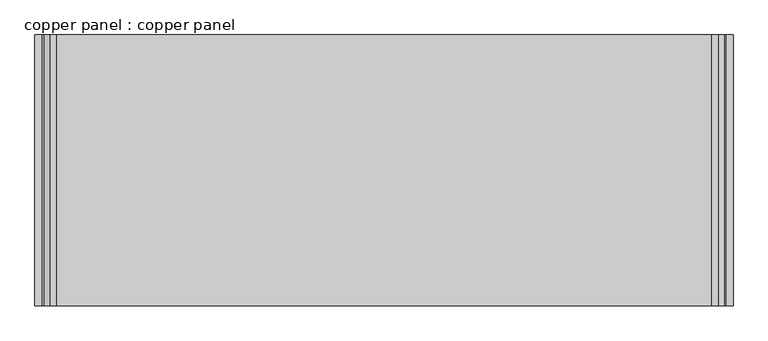
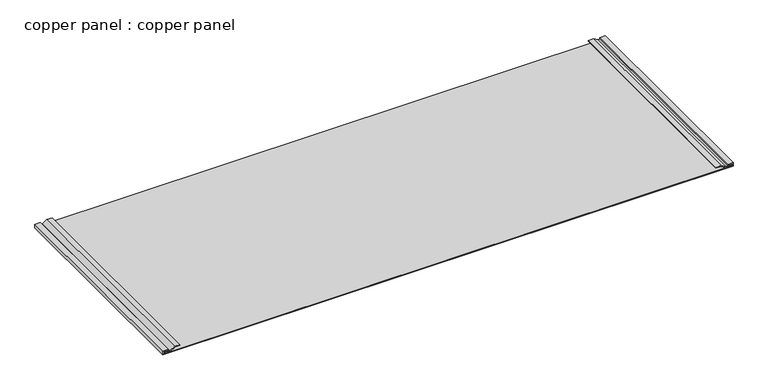
"""IFC4 building model written with IfcOpenShell, lengths in millimetres: proxy geometry, copper panel : copper panel."""

from ifc_helpers import new_model, si_unit, frame, origin, place, context, project, spatial, polyline, outline, extrude, source, transform, mapped, element, save


def copper_panel_copper_panel_3f1704b4(model_context):
    return source(origin(), model_context, "Body", "SweptSolid", [
        extrude(outline(polyline([(2561.3724609, 37097.8085937), (2561.3724609, 39453.9460426), (2576.846582, 39453.9460426), (2576.846582, 39430.8874112), (2572.7629258, 39430.8874112), (2572.7629258, 39449.9929176), (2565.3255859, 39449.9929176), (2565.3255859, 37101.7617187), (2572.7629258, 37101.7617187), (2572.7629258, 37120.8672252), (2576.846582, 37120.8672252), (2576.846582, 37097.8085937), (2561.3724609, 37097.8085937)])), frame((0.0, -25196.3529946, 0.0), z_axis=(0.0, 1.0, 0.0), x_axis=(0.0, 0.0, 1.0)), (0.0, 0.0, 1.0), 914.4),
        extrude(outline(polyline([(2566.3494258, 37105.380766), (2566.3494258, 37128.8700508), (2577.8136722, 37148.7267082), (2577.8136722, 37169.0604326), (2581.275, 37169.0604326), (2581.275, 37147.402881), (2569.5879258, 37127.1602748), (2569.5879258, 37105.380766), (2566.3494258, 37105.380766)])), frame((0.0, -25196.3529946, 0.0), z_axis=(0.0, 1.0, 0.0), x_axis=(0.0, 0.0, 1.0)), (0.0, 0.0, 1.0), 914.4),
        extrude(outline(polyline([(2566.3494258, 39446.3738704), (2569.5879258, 39446.3738704), (2569.5879258, 39424.5943615), (2581.275, 39404.3517553), (2581.275, 39382.6942037), (2577.8136722, 39382.6942037), (2577.8136722, 39403.0279281), (2566.3494258, 39422.8845855), (2566.3494258, 39446.3738704)])), frame((0.0, -25196.3529946, 0.0), z_axis=(0.0, 1.0, 0.0), x_axis=(0.0, 0.0, 1.0)), (0.0, 0.0, 1.0), 914.4),
    ])


if __name__ == "__main__":
    model = new_model("IFC4")
    model_context = context("Model", 3, world=origin())
    ifc_project = project(units=[si_unit("LENGTHUNIT", "METRE", prefix="MILLI")], contexts=[model_context])
    site = spatial("IfcSite", under=ifc_project)
    building = spatial("IfcBuilding", under=site)
    placement = place(None, origin())
    copper_panel_copper_panel_shape = copper_panel_copper_panel_3f1704b4(model_context)
    element("IfcBuildingElementProxy", 1, Name="copper panel : copper panel", ObjectType="copper panel : copper panel", at=placement, inside=building, context=model_context, shape_type="MappedRepresentation", body=[
        mapped(copper_panel_copper_panel_shape, transform((0.0, 0.0, 0.0), x_axis=(1.0, 0.0, 0.0), y_axis=(0.0, 1.0, 0.0), z_axis=(0.0, 0.0, 1.0))),
    ])
    save(model, "model.ifc")
